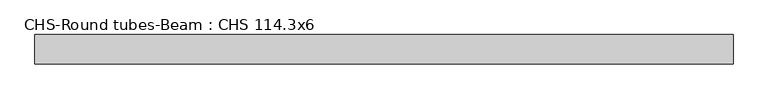
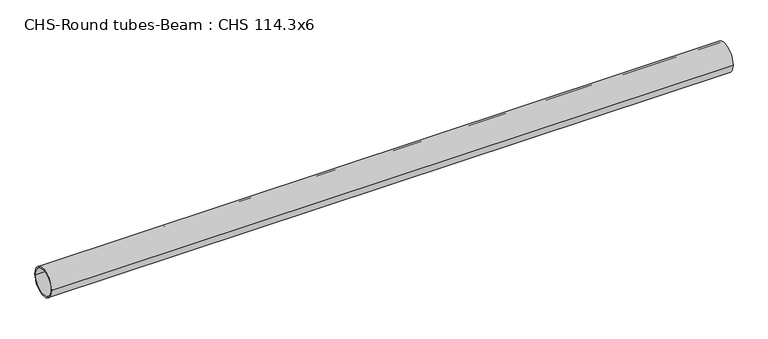
"""IFC4 building model written with IfcOpenShell, lengths in millimetres: beam geometry, CHS-Round tubes-Beam : CHS 114.3x6."""

from ifc_helpers import new_model, si_unit, point, frame, origin, origin_2d, place, context, project, spatial, circle_curve, trimmed, segment, composite_curve, outline, extrude, source, transform, mapped, element, save


def chs_round_tubes_beam_chs_114_3x6_a4468843(model_context):
    return source(origin(), model_context, "Body", "SweptSolid", [
        extrude(outline(composite_curve([segment(trimmed(circle_curve(origin_2d(), 57.15), [point((57.15, 0.0))], [point((-57.15, 0.0))], False, "CARTESIAN"), True, "CONTINUOUS"), segment(trimmed(circle_curve(origin_2d(), 57.15), [point((-57.15, 0.0))], [point((57.15, 0.0))], False, "CARTESIAN"), True, "CONTINUOUS")], self_intersect=False), holes=[composite_curve([segment(trimmed(circle_curve(origin_2d(), 51.15), [point((51.15, 0.0))], [point((-51.15, 0.0))], True, "CARTESIAN"), True, "CONTINUOUS"), segment(trimmed(circle_curve(origin_2d(), 51.15), [point((-51.15, 0.0))], [point((51.15, 0.0))], True, "CARTESIAN"), True, "CONTINUOUS")], self_intersect=False)]), frame((-1312.7583226, 0.0, 0.0), z_axis=(1.0, 0.0, 0.0), x_axis=(0.0, 1.0, 0.0)), (0.0, 0.0, 1.0), 2703.738283),
    ])


if __name__ == "__main__":
    model = new_model("IFC4")
    model_context = context("Model", 3, world=origin())
    ifc_project = project(units=[si_unit("LENGTHUNIT", "METRE", prefix="MILLI")], contexts=[model_context])
    site = spatial("IfcSite", under=ifc_project)
    building = spatial("IfcBuilding", under=site)
    placement = place(None, origin())
    chs_round_tubes_beam_chs_114_3x6_shape = chs_round_tubes_beam_chs_114_3x6_a4468843(model_context)
    element("IfcBeam", 1, ObjectType="CHS-Round tubes-Beam : CHS 114.3x6", at=placement, inside=building, context=model_context, shape_type="MappedRepresentation", body=[
        mapped(chs_round_tubes_beam_chs_114_3x6_shape, transform((0.0, 0.0, 0.0), x_axis=(1.0, 0.0, 0.0), y_axis=(0.0, 1.0, 0.0), z_axis=(0.0, 0.0, 1.0))),
    ])
    save(model, "model.ifc")
